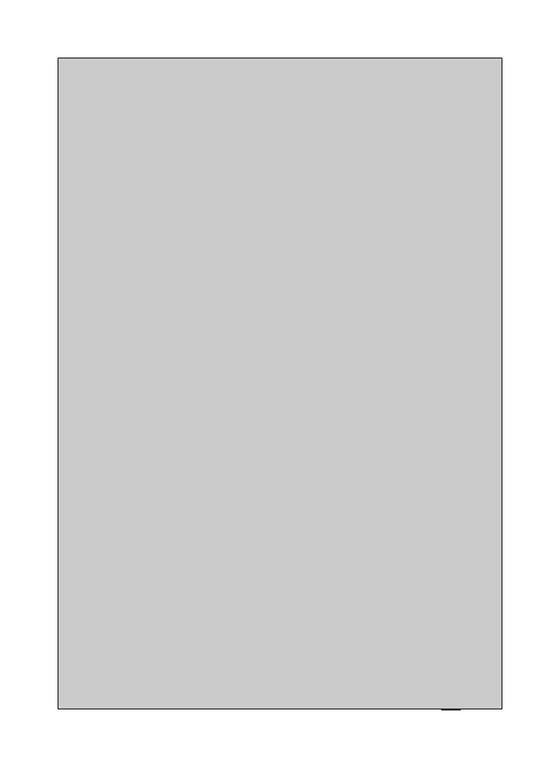
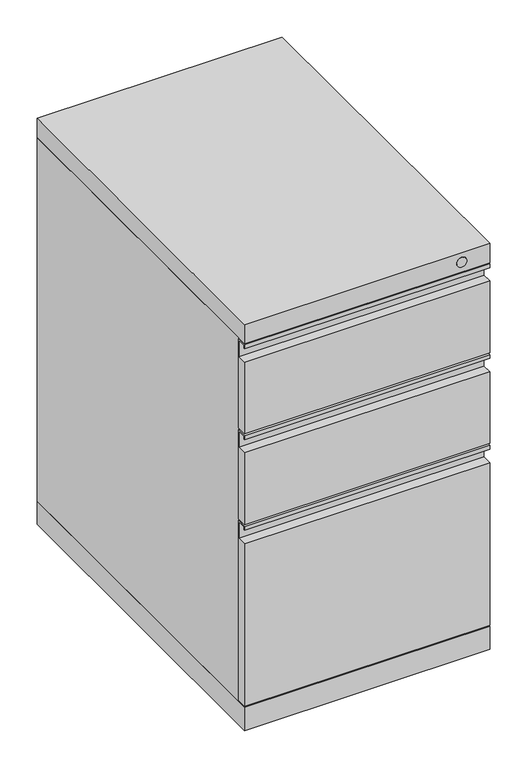
"""IFC4 building model written with IfcOpenShell, lengths in millimetres: furniture geometry."""

import ifcopenshell
import ifcopenshell.guid

model = None  # the IFC model being written
_history = None  # IfcOwnerHistory: only IFC2X3 demands one
_inside = {}  # id of a spatial element -> (the spatial element, [elements in it])
_under = {}  # id of a project, library or spatial element -> (it, [spatial elements below it])
_declared = {}  # id of a project -> (the project, [libraries it declares])
_typed = {}  # id of a type object -> (the type object, [elements of that type])
_made_of = {}  # id of a material, layer set ... -> (it, [elements and type objects made of it])


def new_model(schema):
    """Start an empty IFC model of exactly this schema.

    Asked for "IFC4X3", IfcOpenShell would pick the latest addendum, in which some entities
    have other attributes; the version numbers below select the first issue.
    IFC2X3 requires an IfcOwnerHistory on every rooted entity: one is made here for all.
    """
    global model, _history
    if schema == "IFC4X3":
        model = ifcopenshell.file(schema_version=(4, 3, 0, 0))
    else:
        model = ifcopenshell.file(schema=schema)
    _inside.clear()
    _under.clear()
    _declared.clear()
    _typed.clear()
    _made_of.clear()
    _history = None
    if model.schema == "IFC2X3":
        org = make("IfcOrganization", Name="unknown")
        user = make(
            "IfcPersonAndOrganization",
            ThePerson=make("IfcPerson", FamilyName="unknown"),
            TheOrganization=org,
        )
        app = make(
            "IfcApplication",
            ApplicationDeveloper=org,
            Version="unknown",
            ApplicationFullName="unknown",
            ApplicationIdentifier="unknown",
        )
        _history = make(
            "IfcOwnerHistory",
            OwningUser=user,
            OwningApplication=app,
            ChangeAction="ADDED",
            CreationDate=0,
        )
    return model


def make(cls, **values):
    """One entity of the class cls with the attributes given. An attribute that is None is left unset."""
    return model.create_entity(
        cls, **{name: value for name, value in values.items() if value is not None}
    )


def rooted(cls, **values):
    """An entity with a GlobalId (a new one), such as an element, a storey or a relation."""
    return make(cls, GlobalId=ifcopenshell.guid.new(), OwnerHistory=_history, **values)


def si_unit(unit_type, name, prefix=None):
    """IfcSIUnit, for example si_unit("LENGTHUNIT", "METRE", prefix="MILLI")."""
    return make("IfcSIUnit", UnitType=unit_type, Prefix=prefix, Name=name)


def assignment(units):
    """IfcUnitAssignment: the units of a project."""
    return None if units is None else make("IfcUnitAssignment", Units=units)


def point(xyz):
    """IfcCartesianPoint."""
    return None if xyz is None else make("IfcCartesianPoint", Coordinates=xyz)


def direction(xyz):
    """IfcDirection."""
    return None if xyz is None else make("IfcDirection", DirectionRatios=xyz)


def frame(location, z_axis=None, x_axis=None):
    """IfcAxis2Placement3D, a coordinate frame: its origin and axes. An axis left out is left unset."""
    return make(
        "IfcAxis2Placement3D",
        Location=point(location),
        Axis=direction(z_axis),
        RefDirection=direction(x_axis),
    )


def frame_2d(location, x_axis=None):
    """IfcAxis2Placement2D, a coordinate frame in the plane: its origin and x axis."""
    return make(
        "IfcAxis2Placement2D", Location=point(location), RefDirection=direction(x_axis)
    )


def origin():
    """The frame at (0, 0, 0) with its axes left unset."""
    return frame((0.0, 0.0, 0.0))


def origin_with_axes():
    """The frame at (0, 0, 0) with the z axis (0, 0, 1) and the x axis (1, 0, 0) written out."""
    return frame((0.0, 0.0, 0.0), z_axis=(0.0, 0.0, 1.0), x_axis=(1.0, 0.0, 0.0))


def place(relative_to, where):
    """IfcLocalPlacement: puts the frame where relative to a parent placement (None: the world)."""
    return make(
        "IfcLocalPlacement", PlacementRelTo=relative_to, RelativePlacement=where
    )


def context(
    kind, dimensions, precision=None, world=None, true_north=None, identifier=None
):
    """IfcGeometricRepresentationContext, for example the 3D "Model" context."""
    return make(
        "IfcGeometricRepresentationContext",
        ContextIdentifier=identifier,
        ContextType=kind,
        CoordinateSpaceDimension=dimensions,
        Precision=precision,
        WorldCoordinateSystem=world,
        TrueNorth=true_north,
    )


def project(units=None, contexts=None):
    """IfcProject with its units and contexts."""
    return rooted(
        "IfcProject",
        Name="project",
        RepresentationContexts=contexts,
        UnitsInContext=assignment(units),
    )


def spatial(cls, under=None, at=None, **own):
    """A site, building, storey or space (cls), placed at a placement, below another one or the project."""
    s = rooted(cls, ObjectPlacement=at, **own)
    if under is not None:
        _under.setdefault(under.id(), (under, []))[1].append(s)
    return s


def polyline(points):
    """IfcPolyline through the points."""
    return make("IfcPolyline", Points=[point(p) for p in points])


def circle_curve(where, radius):
    """IfcCircle in the frame where."""
    return make("IfcCircle", Position=where, Radius=radius)


def trimmed(basis, trim1, trim2, sense, master):
    """IfcTrimmedCurve: the piece of a basis curve between two trims."""
    return make(
        "IfcTrimmedCurve",
        BasisCurve=basis,
        Trim1=trim1,
        Trim2=trim2,
        SenseAgreement=sense,
        MasterRepresentation=master,
    )


def segment(curve, same_sense, transition):
    """IfcCompositeCurveSegment."""
    return make(
        "IfcCompositeCurveSegment",
        Transition=transition,
        SameSense=same_sense,
        ParentCurve=curve,
    )


def composite_curve(segments, self_intersect=None):
    """IfcCompositeCurve: segments joined end to end."""
    return make("IfcCompositeCurve", Segments=segments, SelfIntersect=self_intersect)


def outline(outer, holes=None, kind="AREA"):
    """IfcArbitraryClosedProfileDef: a profile drawn as a closed curve; with holes, ...WithVoids."""
    if holes is None:
        return make("IfcArbitraryClosedProfileDef", ProfileType=kind, OuterCurve=outer)
    return make(
        "IfcArbitraryProfileDefWithVoids",
        ProfileType=kind,
        OuterCurve=outer,
        InnerCurves=holes,
    )


def extrude(swept, where, along, depth):
    """IfcExtrudedAreaSolid: the profile swept, set in the frame where, extruded along a direction by depth."""
    return make(
        "IfcExtrudedAreaSolid",
        SweptArea=swept,
        Position=where,
        ExtrudedDirection=direction(along),
        Depth=depth,
    )


def shape(context_of_items, identifier, shape_type, items):
    """IfcShapeRepresentation: the items that make up one representation, for example the "Body"."""
    return make(
        "IfcShapeRepresentation",
        ContextOfItems=context_of_items,
        RepresentationIdentifier=identifier,
        RepresentationType=shape_type,
        Items=items,
    )


def source(mapping_origin, context_of_items, identifier, shape_type, items):
    """IfcRepresentationMap: a shape defined once, which mapped items show again and again."""
    return make(
        "IfcRepresentationMap",
        MappingOrigin=mapping_origin,
        MappedRepresentation=shape(context_of_items, identifier, shape_type, items),
    )


def transform(
    local_origin,
    x_axis=None,
    y_axis=None,
    z_axis=None,
    scale=None,
    scale2=None,
    scale3=None,
    uniform=True,
):
    """IfcCartesianTransformationOperator3D, or its non-uniform kind. x_axis, y_axis, z_axis: its Axis1, 2, 3."""
    if uniform:
        return make(
            "IfcCartesianTransformationOperator3D",
            Axis1=direction(x_axis),
            Axis2=direction(y_axis),
            LocalOrigin=point(local_origin),
            Scale=scale,
            Axis3=direction(z_axis),
        )
    return make(
        "IfcCartesianTransformationOperator3DnonUniform",
        Axis1=direction(x_axis),
        Axis2=direction(y_axis),
        LocalOrigin=point(local_origin),
        Scale=scale,
        Axis3=direction(z_axis),
        Scale2=scale2,
        Scale3=scale3,
    )


def mapped(mapping_source, mapping_target):
    """IfcMappedItem: shows the shape of a source again, moved by a transform."""
    return make(
        "IfcMappedItem", MappingSource=mapping_source, MappingTarget=mapping_target
    )


def made_of(thing, what):
    """Note that an element or type object is made of a material, layer set ...; save() writes the relation."""
    if what is not None:
        _made_of.setdefault(what.id(), (what, []))[1].append(thing)
    return thing


def element(
    cls,
    number,
    at=None,
    inside=None,
    cuts=None,
    type_object=None,
    material=None,
    context=None,
    identifier="Body",
    shape_type=None,
    held_by="IfcProductDefinitionShape",
    body=None,
    shapes=None,
    **own,
):
    """One element of the class cls, such as IfcWall. Its Tag is "e" and its number.

    at: its placement. inside: the storey or other place that contains it. cuts: it is an
    opening in that element (IfcRelVoidsElement). A single representation is given by context,
    identifier, shape_type and body (its items); several are given by shapes. held_by: the class
    of the entity that holds the representations. save() writes the other relations.
    """
    e = rooted(cls, Tag="e%d" % number, ObjectPlacement=at, **own)
    if body is not None:
        shapes = [shape(context, identifier, shape_type, body)]
    if shapes is not None:
        e.Representation = make(held_by, Representations=shapes)
    if inside is not None:
        _inside.setdefault(inside.id(), (inside, []))[1].append(e)
    if cuts is not None:
        rooted(
            "IfcRelVoidsElement", RelatingBuildingElement=cuts, RelatedOpeningElement=e
        )
    if type_object is not None:
        _typed.setdefault(type_object.id(), (type_object, []))[1].append(e)
    return made_of(e, material)


def aggregate(whole, parts):
    """IfcRelAggregates: a whole, such as a stair, and the parts it consists of."""
    return rooted("IfcRelAggregates", RelatingObject=whole, RelatedObjects=parts)


def save(model, path):
    """Write the relations noted so far, then the file.

    IfcRelAggregates (storeys below a building ...), IfcRelContainedInSpatialStructure (elements
    in a storey), IfcRelDefinesByType, IfcRelAssociatesMaterial and IfcRelDeclares: one each for
    every whole, place, type object, material and project.
    """
    for whole, parts in _under.values():
        aggregate(whole, parts)
    for where, things in _inside.values():
        rooted(
            "IfcRelContainedInSpatialStructure",
            RelatedElements=things,
            RelatingStructure=where,
        )
    for kind, things in _typed.values():
        rooted("IfcRelDefinesByType", RelatedObjects=things, RelatingType=kind)
    for what, things in _made_of.values():
        rooted("IfcRelAssociatesMaterial", RelatedObjects=things, RelatingMaterial=what)
    for by, libraries in _declared.values():
        rooted("IfcRelDeclares", RelatingContext=by, RelatedDefinitions=libraries)
    model.write(path)


def furniture_2b96f2c9(model_context):
    return source(origin(), model_context, "Body", "SweptSolid", [
        extrude(outline(polyline([(-279.4, 306.7939), (-264.2616, 306.7939), (-264.2616, 333.4385), (-277.876, 333.4385), (-277.876, 328.6125), (-279.4, 328.6125), (-279.4, 334.9625), (-262.7376, 334.9625), (-262.7376, 39.6875), (-279.4, 39.6875), (-279.4, 306.7939)])), frame((-190.5, 0.0, 0.0), z_axis=(1.0, 0.0, 0.0), x_axis=(0.0, 1.0, 0.0)), (0.0, 0.0, 1.0), 381.0),
        extrude(outline(polyline([(-279.4, 484.1875), (-262.7376, 484.1875), (-262.7376, 338.1375), (-279.4, 338.1375), (-279.4, 456.0189), (-264.2616, 456.0189), (-264.2616, 482.6635), (-277.876, 482.6635), (-277.876, 477.8375), (-279.4, 477.8375), (-279.4, 484.1875)])), frame((-190.5, 0.0, 0.0), z_axis=(1.0, 0.0, 0.0), x_axis=(0.0, 1.0, 0.0)), (0.0, 0.0, 1.0), 381.0),
        extrude(outline(polyline([(-279.4, 633.4125), (-262.7376, 633.4125), (-262.7376, 487.3625), (-279.4, 487.3625), (-279.4, 605.2439), (-264.2616, 605.2439), (-264.2616, 631.8885), (-277.876, 631.8885), (-277.876, 627.0625), (-279.4, 627.0625), (-279.4, 633.4125)])), frame((-190.5, 0.0, 0.0), z_axis=(1.0, 0.0, 0.0), x_axis=(0.0, 1.0, 0.0)), (0.0, 0.0, 1.0), 381.0),
        extrude(outline(polyline([(190.5, 279.4), (190.5, -262.7376), (-190.5, -262.7376), (-190.5, 279.4), (190.5, 279.4)])), frame((0.0, 0.0, 38.1), z_axis=(0.0, 0.0, 1.0), x_axis=(1.0, 0.0, 0.0)), (0.0, 0.0, 1.0), 596.9),
        extrude(outline(polyline([(190.5, 279.4), (190.5, -279.4), (-190.5, -279.4), (-190.5, 279.4), (190.5, 279.4)])), frame((0.0, 0.0, 635.0), z_axis=(0.0, 0.0, 1.0), x_axis=(1.0, 0.0, 0.0)), (0.0, 0.0, 1.0), 31.75),
        extrude(outline(polyline([(190.5, 279.4), (190.5, -279.4), (-190.5, -279.4), (-190.5, 279.4), (190.5, 279.4)])), origin_with_axes(), (0.0, 0.0, 1.0), 38.1),
        extrude(outline(composite_curve([segment(trimmed(circle_curve(frame_2d((651.7005, 146.84248)), 8.001), [point((651.7005, 154.84348))], [point((651.7005, 138.84148))], False, "CARTESIAN"), True, "CONTINUOUS"), segment(trimmed(circle_curve(frame_2d((651.7005, 146.84248)), 8.001), [point((651.7005, 138.84148))], [point((651.7005, 154.84348))], False, "CARTESIAN"), True, "CONTINUOUS")], self_intersect=False)), frame((0.0, -280.19502, 0.0), z_axis=(0.0, 1.0, 0.0), x_axis=(0.0, 0.0, 1.0)), (0.0, 0.0, 1.0), 0.79502),
    ])


if __name__ == "__main__":
    model = new_model("IFC4")
    model_context = context("Model", 3, world=origin())
    ifc_project = project(units=[si_unit("LENGTHUNIT", "METRE", prefix="MILLI")], contexts=[model_context])
    site = spatial("IfcSite", under=ifc_project)
    building = spatial("IfcBuilding", under=site)
    placement = place(None, origin())
    furniture_shape = furniture_2b96f2c9(model_context)
    element("IfcFurniture", 1, at=placement, inside=building, context=model_context, shape_type="MappedRepresentation", body=[
        mapped(furniture_shape, transform((0.0, 0.0, 0.0), x_axis=(1.0, 0.0, 0.0), y_axis=(0.0, 1.0, 0.0), z_axis=(0.0, 0.0, 1.0))),
    ])
    save(model, "model.ifc")
